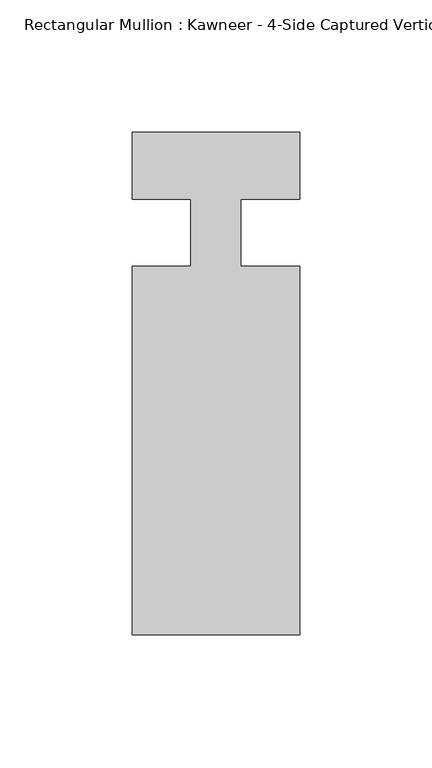
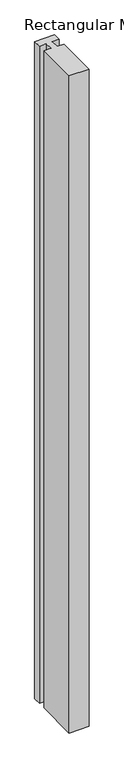
"""IFC4 building model written with IfcOpenShell, lengths in millimetres: member geometry."""

from ifc_helpers import new_model, si_unit, frame, origin, place, context, project, spatial, polyline, outline, extrude, source, transform, mapped, element, save


def member_b633d7e0(model_context):
    return source(origin(), model_context, "Body", "SweptSolid", [
        extrude(outline(polyline([(-9.5251132, 12.7), (-31.75, 12.7), (-31.75, 38.1), (31.75, 38.1), (31.75, 12.7), (9.5251132, 12.7), (9.5251132, -12.7), (31.75, -12.7), (31.75, -152.399995), (-31.75, -152.399995), (-31.75, -12.7), (-9.5251132, -12.7), (-9.5251132, 12.7)])), frame((0.0, 0.0, -2212.5077323), z_axis=(0.0, 0.0, 1.0), x_axis=(1.0, 0.0, 0.0)), (0.0, 0.0, 1.0), 2212.5077323),
    ])


if __name__ == "__main__":
    model = new_model("IFC4")
    model_context = context("Model", 3, world=origin())
    ifc_project = project(units=[si_unit("LENGTHUNIT", "METRE", prefix="MILLI")], contexts=[model_context])
    site = spatial("IfcSite", under=ifc_project)
    building = spatial("IfcBuilding", under=site)
    placement = place(None, origin())
    member_shape = member_b633d7e0(model_context)
    element("IfcMember", 1, ObjectType="Rectangular Mullion : Kawneer - 4-Side Captured Vertical Mullion - 7 1/2\"", at=placement, inside=building, context=model_context, shape_type="MappedRepresentation", body=[
        mapped(member_shape, transform((0.0, 0.0, 0.0), x_axis=(1.0, 0.0, 0.0), y_axis=(0.0, 1.0, 0.0), z_axis=(0.0, 0.0, 1.0))),
    ])
    save(model, "model.ifc")
